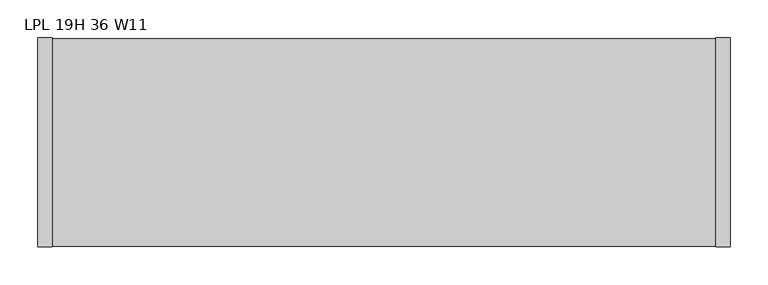
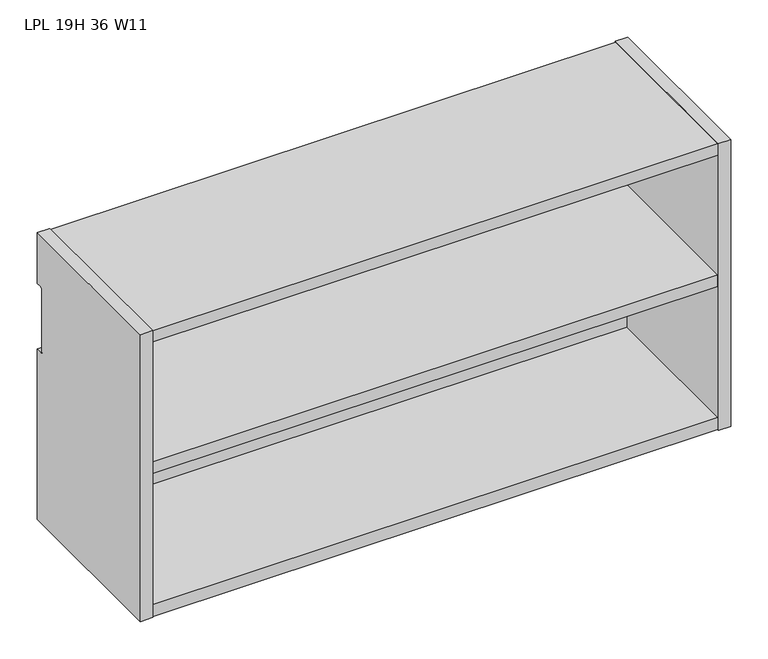
"""IFC4 building model written with IfcOpenShell, lengths in millimetres: furniture geometry, LPL 19H 36 W11."""

from ifc_helpers import new_model, si_unit, point, frame, frame_2d, origin, place, context, project, spatial, polyline, circle_curve, trimmed, segment, composite_curve, outline, extrude, source, transform, mapped, element, save


def lpl_19h_36_w11_61833d00(model_context):
    return source(origin(), model_context, "Body", "SweptSolid", [
        extrude(outline(polyline([(894.461, -275.2344), (19.939, -275.2344), (19.939, -31.242), (894.461, -31.242), (894.461, -275.2344)])), frame((0.0, 0.0, 1924.05), z_axis=(0.0, 0.0, 1.0), x_axis=(1.0, 0.0, 0.0)), (0.0, 0.0, 1.0), 19.304),
        extrude(outline(composite_curve([segment(polyline([(-276.225, 1689.1), (-276.225, 2159.0), (0.0, 2159.0), (0.0, 2075.942), (-8.7634487, 2075.942)]), True, "CONTINUOUS"), segment(trimmed(circle_curve(frame_2d((-8.7634487, 2072.7674487)), 3.1745513), [point((-8.7634487, 2075.942))], [point((-11.938, 2072.7674487))], True, "CARTESIAN"), True, "CONTINUOUS"), segment(polyline([(-11.938, 2072.7674487), (-11.938, 1971.167)]), True, "CONTINUOUS"), segment(trimmed(circle_curve(frame_2d((-8.763, 1971.167)), 3.175), [point((-11.938, 1971.167))], [point((-8.763, 1967.992))], True, "CARTESIAN"), True, "CONTINUOUS"), segment(polyline([(-8.763, 1967.992), (0.0, 1967.992), (0.0, 1689.1), (-276.225, 1689.1)]), True, "CONTINUOUS")], self_intersect=False)), frame((895.096, 0.0, 0.0), z_axis=(1.0, 0.0, 0.0), x_axis=(0.0, 1.0, 0.0)), (0.0, 0.0, 1.0), 19.304),
        extrude(outline(polyline([(895.096, -275.2344), (19.304, -275.2344), (19.304, -0.9906), (895.096, -0.9906), (895.096, -275.2344)])), frame((0.0, 0.0, 1690.0906), z_axis=(0.0, 0.0, 1.0), x_axis=(1.0, 0.0, 0.0)), (0.0, 0.0, 1.0), 19.304),
        extrude(outline(polyline([(895.096, -11.938), (895.096, -31.242), (19.304, -31.242), (19.304, -11.938), (895.096, -11.938)])), frame((0.0, 0.0, 1709.3946), z_axis=(0.0, 0.0, 1.0), x_axis=(1.0, 0.0, 0.0)), (0.0, 0.0, 1.0), 430.3014),
        extrude(outline(composite_curve([segment(polyline([(-276.225, 1689.1), (-276.225, 2159.0), (0.0, 2159.0), (0.0, 2075.942), (-8.7634487, 2075.942)]), True, "CONTINUOUS"), segment(trimmed(circle_curve(frame_2d((-8.7634487, 2072.7674487)), 3.1745513), [point((-8.7634487, 2075.942))], [point((-11.938, 2072.7674487))], True, "CARTESIAN"), True, "CONTINUOUS"), segment(polyline([(-11.938, 2072.7674487), (-11.938, 1971.167)]), True, "CONTINUOUS"), segment(trimmed(circle_curve(frame_2d((-8.763, 1971.167)), 3.175), [point((-11.938, 1971.167))], [point((-8.763, 1967.992))], True, "CARTESIAN"), True, "CONTINUOUS"), segment(polyline([(-8.763, 1967.992), (0.0, 1967.992), (0.0, 1689.1), (-276.225, 1689.1)]), True, "CONTINUOUS")], self_intersect=False)), frame((0.0, 0.0, 0.0), z_axis=(1.0, 0.0, 0.0), x_axis=(0.0, 1.0, 0.0)), (0.0, 0.0, 1.0), 19.304),
        extrude(outline(polyline([(895.096, -275.2344), (19.304, -275.2344), (19.304, -0.9906), (895.096, -0.9906), (895.096, -275.2344)])), frame((0.0, 0.0, 2139.696), z_axis=(0.0, 0.0, 1.0), x_axis=(1.0, 0.0, 0.0)), (0.0, 0.0, 1.0), 18.3134),
    ])


if __name__ == "__main__":
    model = new_model("IFC4")
    model_context = context("Model", 3, world=origin())
    ifc_project = project(units=[si_unit("LENGTHUNIT", "METRE", prefix="MILLI")], contexts=[model_context])
    site = spatial("IfcSite", under=ifc_project)
    building = spatial("IfcBuilding", under=site)
    placement = place(None, origin())
    lpl_19h_36_w11_shape = lpl_19h_36_w11_61833d00(model_context)
    element("IfcFurniture", 1, ObjectType="LPL 19H 36 W11", at=placement, inside=building, context=model_context, shape_type="MappedRepresentation", body=[
        mapped(lpl_19h_36_w11_shape, transform((0.0, 0.0, 0.0), x_axis=(1.0, 0.0, 0.0), y_axis=(0.0, 1.0, 0.0), z_axis=(0.0, 0.0, 1.0))),
    ])
    save(model, "model.ifc")
